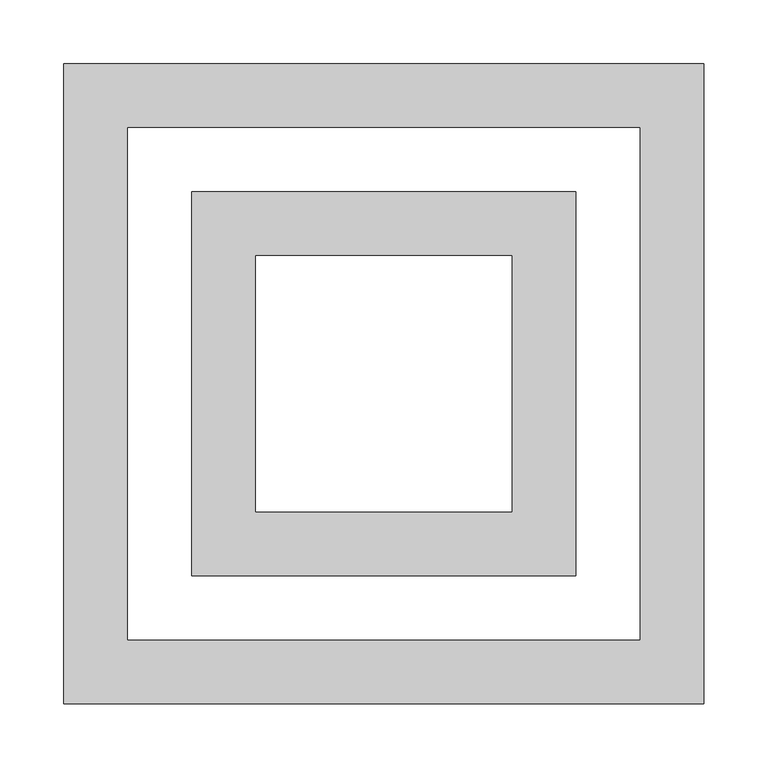
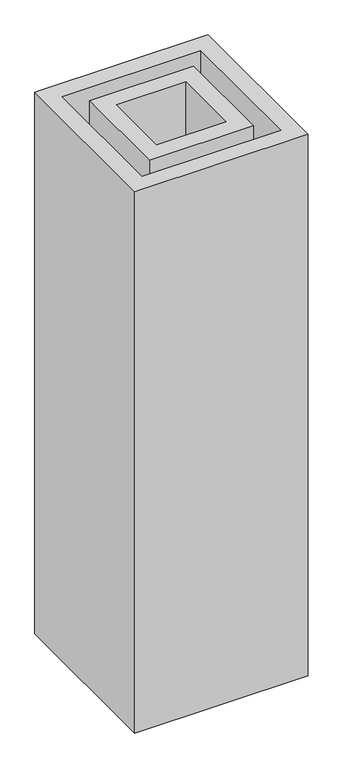
"""IFC4 building model written with IfcOpenShell, lengths in millimetres: proxy geometry."""

from ifc_helpers import new_model, si_unit, origin, origin_with_axes, place, context, project, spatial, polyline, outline, extrude, source, transform, mapped, element, save


def generic_models_69a1952b(model_context):
    return source(origin(), model_context, "Body", "SweptSolid", [
        extrude(outline(polyline([(150.0, 150.0), (150.0, -150.0), (-150.0, -150.0), (-150.0, 150.0), (150.0, 150.0)]), holes=[polyline([(100.0, 100.0), (-100.0, 100.0), (-100.0, -100.0), (100.0, -100.0), (100.0, 100.0)])]), origin_with_axes(), (0.0, 0.0, 1.0), 1650.624144),
        extrude(outline(polyline([(250.0, 250.0), (250.0, -250.0), (-250.0, -250.0), (-250.0, 250.0), (250.0, 250.0)]), holes=[polyline([(-200.0, -200.0), (200.0, -200.0), (200.0, 200.0), (-200.0, 200.0), (-200.0, -200.0)])]), origin_with_axes(), (0.0, 0.0, 1.0), 1650.624144),
    ])


if __name__ == "__main__":
    model = new_model("IFC4")
    model_context = context("Model", 3, world=origin())
    ifc_project = project(units=[si_unit("LENGTHUNIT", "METRE", prefix="MILLI")], contexts=[model_context])
    site = spatial("IfcSite", under=ifc_project)
    building = spatial("IfcBuilding", under=site)
    placement = place(None, origin())
    generic_models_shape = generic_models_69a1952b(model_context)
    element("IfcBuildingElementProxy", 1, Name="Generic Models", at=placement, inside=building, context=model_context, shape_type="MappedRepresentation", body=[
        mapped(generic_models_shape, transform((0.0, 0.0, 0.0), x_axis=(1.0, 0.0, 0.0), y_axis=(0.0, 1.0, 0.0), z_axis=(0.0, 0.0, 1.0))),
    ])
    save(model, "model.ifc")
